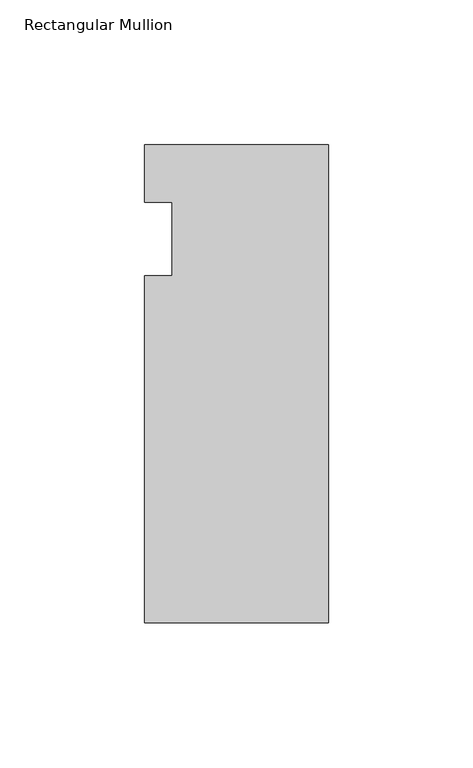
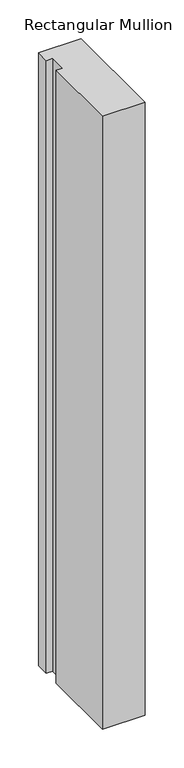
"""IFC4 building model written with IfcOpenShell, lengths in millimetres: member geometry, Rectangular Mullion."""

import ifcopenshell
import ifcopenshell.guid

model = None  # the IFC model being written
_history = None  # IfcOwnerHistory: only IFC2X3 demands one
_inside = {}  # id of a spatial element -> (the spatial element, [elements in it])
_under = {}  # id of a project, library or spatial element -> (it, [spatial elements below it])
_declared = {}  # id of a project -> (the project, [libraries it declares])
_typed = {}  # id of a type object -> (the type object, [elements of that type])
_made_of = {}  # id of a material, layer set ... -> (it, [elements and type objects made of it])


def new_model(schema):
    """Start an empty IFC model of exactly this schema.

    Asked for "IFC4X3", IfcOpenShell would pick the latest addendum, in which some entities
    have other attributes; the version numbers below select the first issue.
    IFC2X3 requires an IfcOwnerHistory on every rooted entity: one is made here for all.
    """
    global model, _history
    if schema == "IFC4X3":
        model = ifcopenshell.file(schema_version=(4, 3, 0, 0))
    else:
        model = ifcopenshell.file(schema=schema)
    _inside.clear()
    _under.clear()
    _declared.clear()
    _typed.clear()
    _made_of.clear()
    _history = None
    if model.schema == "IFC2X3":
        org = make("IfcOrganization", Name="unknown")
        user = make(
            "IfcPersonAndOrganization",
            ThePerson=make("IfcPerson", FamilyName="unknown"),
            TheOrganization=org,
        )
        app = make(
            "IfcApplication",
            ApplicationDeveloper=org,
            Version="unknown",
            ApplicationFullName="unknown",
            ApplicationIdentifier="unknown",
        )
        _history = make(
            "IfcOwnerHistory",
            OwningUser=user,
            OwningApplication=app,
            ChangeAction="ADDED",
            CreationDate=0,
        )
    return model


def make(cls, **values):
    """One entity of the class cls with the attributes given. An attribute that is None is left unset."""
    return model.create_entity(
        cls, **{name: value for name, value in values.items() if value is not None}
    )


def rooted(cls, **values):
    """An entity with a GlobalId (a new one), such as an element, a storey or a relation."""
    return make(cls, GlobalId=ifcopenshell.guid.new(), OwnerHistory=_history, **values)


def si_unit(unit_type, name, prefix=None):
    """IfcSIUnit, for example si_unit("LENGTHUNIT", "METRE", prefix="MILLI")."""
    return make("IfcSIUnit", UnitType=unit_type, Prefix=prefix, Name=name)


def assignment(units):
    """IfcUnitAssignment: the units of a project."""
    return None if units is None else make("IfcUnitAssignment", Units=units)


def point(xyz):
    """IfcCartesianPoint."""
    return None if xyz is None else make("IfcCartesianPoint", Coordinates=xyz)


def direction(xyz):
    """IfcDirection."""
    return None if xyz is None else make("IfcDirection", DirectionRatios=xyz)


def frame(location, z_axis=None, x_axis=None):
    """IfcAxis2Placement3D, a coordinate frame: its origin and axes. An axis left out is left unset."""
    return make(
        "IfcAxis2Placement3D",
        Location=point(location),
        Axis=direction(z_axis),
        RefDirection=direction(x_axis),
    )


def origin():
    """The frame at (0, 0, 0) with its axes left unset."""
    return frame((0.0, 0.0, 0.0))


def place(relative_to, where):
    """IfcLocalPlacement: puts the frame where relative to a parent placement (None: the world)."""
    return make(
        "IfcLocalPlacement", PlacementRelTo=relative_to, RelativePlacement=where
    )


def context(
    kind, dimensions, precision=None, world=None, true_north=None, identifier=None
):
    """IfcGeometricRepresentationContext, for example the 3D "Model" context."""
    return make(
        "IfcGeometricRepresentationContext",
        ContextIdentifier=identifier,
        ContextType=kind,
        CoordinateSpaceDimension=dimensions,
        Precision=precision,
        WorldCoordinateSystem=world,
        TrueNorth=true_north,
    )


def project(units=None, contexts=None):
    """IfcProject with its units and contexts."""
    return rooted(
        "IfcProject",
        Name="project",
        RepresentationContexts=contexts,
        UnitsInContext=assignment(units),
    )


def spatial(cls, under=None, at=None, **own):
    """A site, building, storey or space (cls), placed at a placement, below another one or the project."""
    s = rooted(cls, ObjectPlacement=at, **own)
    if under is not None:
        _under.setdefault(under.id(), (under, []))[1].append(s)
    return s


def polyline(points):
    """IfcPolyline through the points."""
    return make("IfcPolyline", Points=[point(p) for p in points])


def outline(outer, holes=None, kind="AREA"):
    """IfcArbitraryClosedProfileDef: a profile drawn as a closed curve; with holes, ...WithVoids."""
    if holes is None:
        return make("IfcArbitraryClosedProfileDef", ProfileType=kind, OuterCurve=outer)
    return make(
        "IfcArbitraryProfileDefWithVoids",
        ProfileType=kind,
        OuterCurve=outer,
        InnerCurves=holes,
    )


def extrude(swept, where, along, depth):
    """IfcExtrudedAreaSolid: the profile swept, set in the frame where, extruded along a direction by depth."""
    return make(
        "IfcExtrudedAreaSolid",
        SweptArea=swept,
        Position=where,
        ExtrudedDirection=direction(along),
        Depth=depth,
    )


def shape(context_of_items, identifier, shape_type, items):
    """IfcShapeRepresentation: the items that make up one representation, for example the "Body"."""
    return make(
        "IfcShapeRepresentation",
        ContextOfItems=context_of_items,
        RepresentationIdentifier=identifier,
        RepresentationType=shape_type,
        Items=items,
    )


def source(mapping_origin, context_of_items, identifier, shape_type, items):
    """IfcRepresentationMap: a shape defined once, which mapped items show again and again."""
    return make(
        "IfcRepresentationMap",
        MappingOrigin=mapping_origin,
        MappedRepresentation=shape(context_of_items, identifier, shape_type, items),
    )


def transform(
    local_origin,
    x_axis=None,
    y_axis=None,
    z_axis=None,
    scale=None,
    scale2=None,
    scale3=None,
    uniform=True,
):
    """IfcCartesianTransformationOperator3D, or its non-uniform kind. x_axis, y_axis, z_axis: its Axis1, 2, 3."""
    if uniform:
        return make(
            "IfcCartesianTransformationOperator3D",
            Axis1=direction(x_axis),
            Axis2=direction(y_axis),
            LocalOrigin=point(local_origin),
            Scale=scale,
            Axis3=direction(z_axis),
        )
    return make(
        "IfcCartesianTransformationOperator3DnonUniform",
        Axis1=direction(x_axis),
        Axis2=direction(y_axis),
        LocalOrigin=point(local_origin),
        Scale=scale,
        Axis3=direction(z_axis),
        Scale2=scale2,
        Scale3=scale3,
    )


def mapped(mapping_source, mapping_target):
    """IfcMappedItem: shows the shape of a source again, moved by a transform."""
    return make(
        "IfcMappedItem", MappingSource=mapping_source, MappingTarget=mapping_target
    )


def made_of(thing, what):
    """Note that an element or type object is made of a material, layer set ...; save() writes the relation."""
    if what is not None:
        _made_of.setdefault(what.id(), (what, []))[1].append(thing)
    return thing


def element(
    cls,
    number,
    at=None,
    inside=None,
    cuts=None,
    type_object=None,
    material=None,
    context=None,
    identifier="Body",
    shape_type=None,
    held_by="IfcProductDefinitionShape",
    body=None,
    shapes=None,
    **own,
):
    """One element of the class cls, such as IfcWall. Its Tag is "e" and its number.

    at: its placement. inside: the storey or other place that contains it. cuts: it is an
    opening in that element (IfcRelVoidsElement). A single representation is given by context,
    identifier, shape_type and body (its items); several are given by shapes. held_by: the class
    of the entity that holds the representations. save() writes the other relations.
    """
    e = rooted(cls, Tag="e%d" % number, ObjectPlacement=at, **own)
    if body is not None:
        shapes = [shape(context, identifier, shape_type, body)]
    if shapes is not None:
        e.Representation = make(held_by, Representations=shapes)
    if inside is not None:
        _inside.setdefault(inside.id(), (inside, []))[1].append(e)
    if cuts is not None:
        rooted(
            "IfcRelVoidsElement", RelatingBuildingElement=cuts, RelatedOpeningElement=e
        )
    if type_object is not None:
        _typed.setdefault(type_object.id(), (type_object, []))[1].append(e)
    return made_of(e, material)


def aggregate(whole, parts):
    """IfcRelAggregates: a whole, such as a stair, and the parts it consists of."""
    return rooted("IfcRelAggregates", RelatingObject=whole, RelatedObjects=parts)


def save(model, path):
    """Write the relations noted so far, then the file.

    IfcRelAggregates (storeys below a building ...), IfcRelContainedInSpatialStructure (elements
    in a storey), IfcRelDefinesByType, IfcRelAssociatesMaterial and IfcRelDeclares: one each for
    every whole, place, type object, material and project.
    """
    for whole, parts in _under.values():
        aggregate(whole, parts)
    for where, things in _inside.values():
        rooted(
            "IfcRelContainedInSpatialStructure",
            RelatedElements=things,
            RelatingStructure=where,
        )
    for kind, things in _typed.values():
        rooted("IfcRelDefinesByType", RelatedObjects=things, RelatingType=kind)
    for what, things in _made_of.values():
        rooted("IfcRelAssociatesMaterial", RelatedObjects=things, RelatingMaterial=what)
    for by, libraries in _declared.values():
        rooted("IfcRelDeclares", RelatingContext=by, RelatedDefinitions=libraries)
    model.write(path)


def rectangular_mullion_f153a37c(model_context):
    return source(origin(), model_context, "Body", "SweptSolid", [
        extrude(outline(polyline([(-63.5, 32.54375), (0.0, 32.54375), (0.0, -132.55625), (-63.5, -132.55625), (-63.5, -12.7), (-53.975, -12.7), (-53.975, 12.7), (-63.5, 12.7), (-63.5, 32.54375)])), frame((0.0, 0.0, -965.2), z_axis=(0.0, 0.0, 1.0), x_axis=(1.0, 0.0, 0.0)), (0.0, 0.0, 1.0), 965.2),
    ])


if __name__ == "__main__":
    model = new_model("IFC4")
    model_context = context("Model", 3, world=origin())
    ifc_project = project(units=[si_unit("LENGTHUNIT", "METRE", prefix="MILLI")], contexts=[model_context])
    site = spatial("IfcSite", under=ifc_project)
    building = spatial("IfcBuilding", under=site)
    placement = place(None, origin())
    rectangular_mullion_shape = rectangular_mullion_f153a37c(model_context)
    element("IfcMember", 1, ObjectType="Rectangular Mullion", at=placement, inside=building, context=model_context, shape_type="MappedRepresentation", body=[
        mapped(rectangular_mullion_shape, transform((0.0, 0.0, 0.0), x_axis=(1.0, 0.0, 0.0), y_axis=(0.0, 1.0, 0.0), z_axis=(0.0, 0.0, 1.0))),
    ])
    save(model, "model.ifc")
